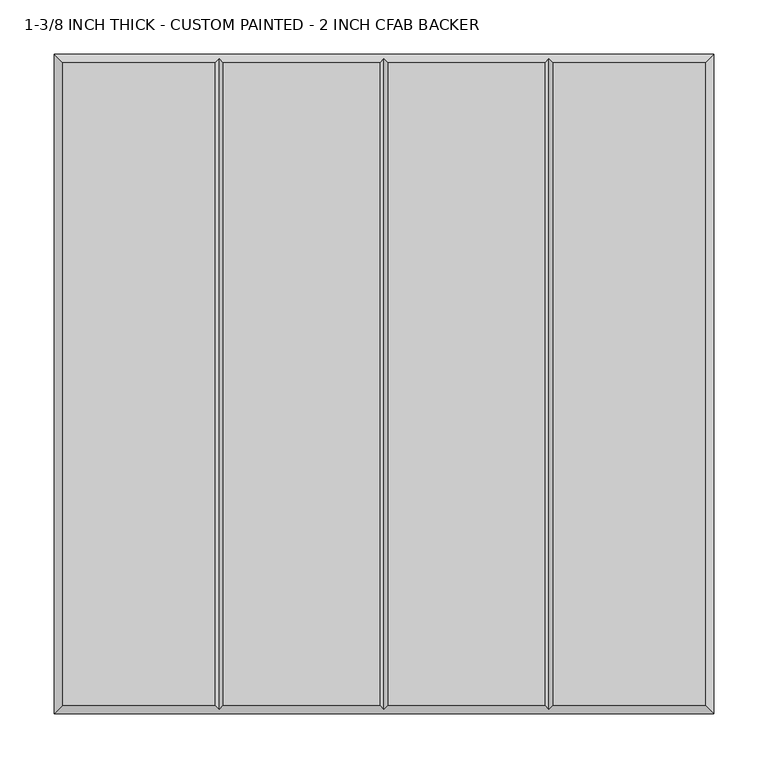
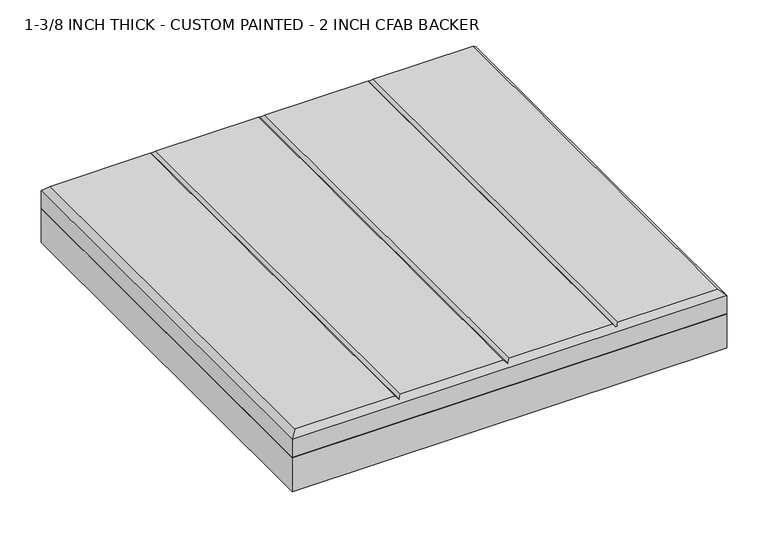
"""IFC4 building model written with IfcOpenShell, lengths in millimetres: proxy geometry, 1-3/8 INCH THICK - CUSTOM PAINTED - 2 INCH CFAB BACKER."""

from ifc_helpers import new_model, si_unit, frame, origin, place, context, project, spatial, polyline, outline, extrude, faceted_brep, source, transform, mapped, element, save


def proxy_1_3_8_inch_thick_custom_painted_2_inch_cfab_backer_9f1c3acf(model_context):
    return source(origin(), model_context, "Body", "SolidModel", [
        extrude(outline(polyline([(-304.8, 304.8), (304.8, 304.8), (304.8, -304.8), (-304.8, -304.8), (-304.8, 304.8)])), frame((0.0, 0.0, -50.8), z_axis=(0.0, 0.0, 1.0), x_axis=(1.0, 0.0, 0.0)), (0.0, 0.0, 1.0), 50.8),
        faceted_brep([(-296.799, 296.799, 34.925), (-296.799, -296.799, 34.925), (-156.4009826, -296.799, 34.925), (-156.4009826, 296.799, 34.925), (296.799, -296.799, 34.925), (296.799, 296.799, 34.925), (156.4010334, 296.799, 34.925), (156.4010334, -296.799, 34.925), (-148.3999826, 296.799, 34.925), (-148.3999826, -296.799, 34.925), (-4.0004746, -296.799, 34.925), (-4.0004746, 296.799, 34.925), (4.0005254, 296.799, 34.925), (4.0005254, -296.799, 34.925), (148.4000334, -296.799, 34.925), (148.4000334, 296.799, 34.925), (-304.8, 304.8, 0.0), (304.8, 304.8, 0.0), (304.8, -304.8, 0.0), (-304.8, -304.8, 0.0), (-304.8, -304.8, 26.924), (-304.8, 304.8, 26.924), (304.8, -304.8, 26.924), (304.8, 304.8, 26.924), (-152.4004826, 300.7995, 30.9245), (2.54e-05, 300.7995, 30.9245), (152.4005334, 300.7995, 30.9245), (152.4005334, -300.7995, 30.9245), (2.54e-05, -300.7995, 30.9245), (-152.4004826, -300.7995, 30.9245)], [[[0, 1, 2, 3]], [[4, 5, 6, 7]], [[8, 9, 10, 11]], [[12, 13, 14, 15]], [[16, 17, 18, 19]], [[16, 19, 20, 21]], [[19, 18, 22, 20]], [[18, 17, 23, 22]], [[17, 16, 21, 23]], [[21, 0, 3, 24, 8, 11, 25, 12, 15, 26, 6, 5, 23]], [[0, 21, 20, 1]], [[1, 20, 22, 4, 7, 27, 14, 13, 28, 10, 9, 29, 2]], [[23, 5, 4, 22]], [[24, 29, 9, 8]], [[29, 24, 3, 2]], [[25, 28, 13, 12]], [[28, 25, 11, 10]], [[26, 27, 7, 6]], [[27, 26, 15, 14]]]),
    ])


if __name__ == "__main__":
    model = new_model("IFC4")
    model_context = context("Model", 3, world=origin())
    ifc_project = project(units=[si_unit("LENGTHUNIT", "METRE", prefix="MILLI")], contexts=[model_context])
    site = spatial("IfcSite", under=ifc_project)
    building = spatial("IfcBuilding", under=site)
    placement = place(None, origin())
    proxy_1_3_8_inch_thick_custom_painted_2_inch_cfab_backer_shape = proxy_1_3_8_inch_thick_custom_painted_2_inch_cfab_backer_9f1c3acf(model_context)
    element("IfcBuildingElementProxy", 1, Name="1-3/8 INCH THICK - CUSTOM PAINTED - 2 INCH CFAB BACKER", ObjectType="1-3/8 INCH THICK - CUSTOM PAINTED - 2 INCH CFAB BACKER", at=placement, inside=building, context=model_context, shape_type="MappedRepresentation", body=[
        mapped(proxy_1_3_8_inch_thick_custom_painted_2_inch_cfab_backer_shape, transform((0.0, 0.0, 0.0), x_axis=(1.0, 0.0, 0.0), y_axis=(0.0, 1.0, 0.0), z_axis=(0.0, 0.0, 1.0))),
    ])
    save(model, "model.ifc")
